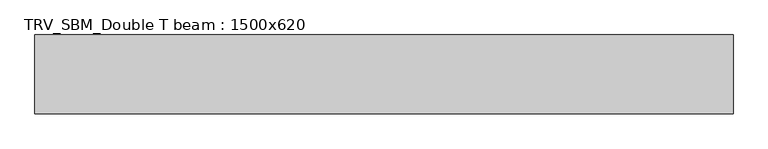
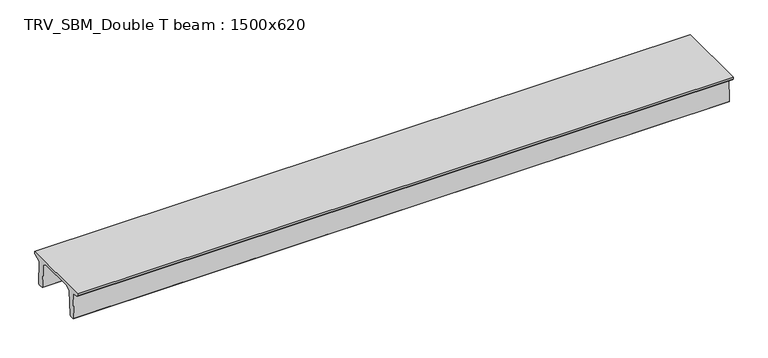
"""IFC4 building model written with IfcOpenShell, lengths in millimetres: beam geometry, TRV_SBM_Double T beam : 1500x620."""

from ifc_helpers import new_model, si_unit, frame, origin, place, context, project, spatial, polyline, outline, extrude, source, transform, mapped, element, save


def trv_sbm_double_t_beam_1500x620_abefc37f(model_context):
    return source(origin(), model_context, "Body", "SweptSolid", [
        extrude(outline(polyline([(-765.0, 215.0), (-765.0, 260.0), (735.0, 260.0), (735.0, 215.0), (728.2094488, 201.315559), (578.0626443, 140.6523122), (594.8277662, -339.4379646), (574.2657308, -360.0), (484.2657308, -360.0), (464.786332, -340.5206011), (447.8600761, 144.18395), (338.3237744, 210.0), (-367.4555014, 210.0), (-476.5389732, 151.9992892), (-507.0080378, -339.3850967), (-527.622941, -360.0), (-615.122941, -360.0), (-637.1143055, -338.0086356), (-606.1572167, 162.687806), (-761.3068466, 204.260024), (-765.0, 215.0)])), frame((-6651.0, 0.0, 0.0), z_axis=(1.0, 0.0, 0.0), x_axis=(0.0, 1.0, 0.0)), (0.0, 0.0, 1.0), 13302.0),
    ])


if __name__ == "__main__":
    model = new_model("IFC4")
    model_context = context("Model", 3, world=origin())
    ifc_project = project(units=[si_unit("LENGTHUNIT", "METRE", prefix="MILLI")], contexts=[model_context])
    site = spatial("IfcSite", under=ifc_project)
    building = spatial("IfcBuilding", under=site)
    placement = place(None, origin())
    trv_sbm_double_t_beam_1500x620_shape = trv_sbm_double_t_beam_1500x620_abefc37f(model_context)
    element("IfcBeam", 1, ObjectType="TRV_SBM_Double T beam : 1500x620", at=placement, inside=building, context=model_context, shape_type="MappedRepresentation", body=[
        mapped(trv_sbm_double_t_beam_1500x620_shape, transform((0.0, 0.0, 0.0), x_axis=(1.0, 0.0, 0.0), y_axis=(0.0, 1.0, 0.0), z_axis=(0.0, 0.0, 1.0))),
    ])
    save(model, "model.ifc")
